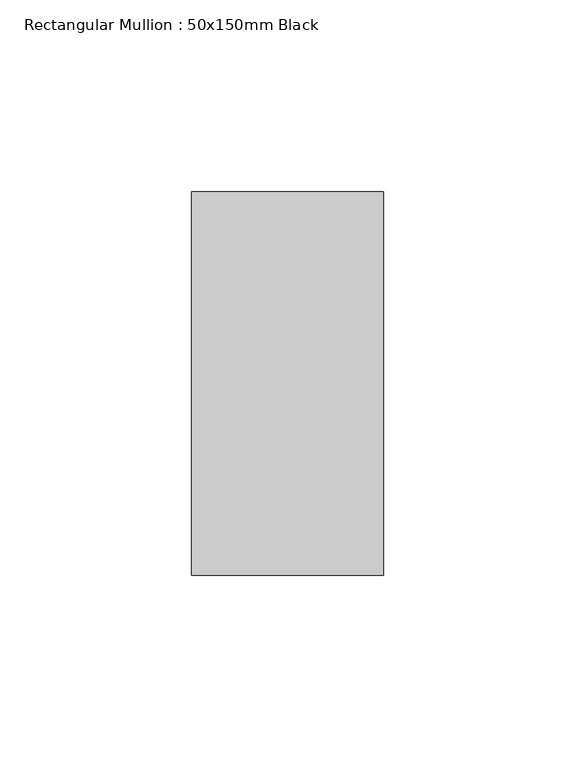
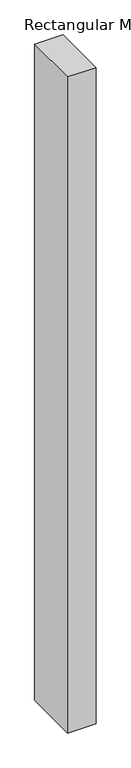
"""IFC4 building model written with IfcOpenShell, lengths in millimetres: member geometry, Rectangular Mullion : 50x150mm Black."""

from ifc_helpers import new_model, si_unit, frame, origin, place, context, project, spatial, polyline, outline, extrude, source, transform, mapped, element, save


def rectangular_mullion_50x150mm_black_e520cf3b(model_context):
    return source(origin(), model_context, "Body", "SweptSolid", [
        extrude(outline(polyline([(25.0, 50.0), (25.0, -50.0), (-25.0, -50.0), (-25.0, 50.0), (25.0, 50.0)])), frame((0.0, 0.0, -1220.0), z_axis=(0.0, 0.0, 1.0), x_axis=(1.0, 0.0, 0.0)), (0.0, 0.0, 1.0), 1220.0),
    ])


if __name__ == "__main__":
    model = new_model("IFC4")
    model_context = context("Model", 3, world=origin())
    ifc_project = project(units=[si_unit("LENGTHUNIT", "METRE", prefix="MILLI")], contexts=[model_context])
    site = spatial("IfcSite", under=ifc_project)
    building = spatial("IfcBuilding", under=site)
    placement = place(None, origin())
    rectangular_mullion_50x150mm_black_shape = rectangular_mullion_50x150mm_black_e520cf3b(model_context)
    element("IfcMember", 1, ObjectType="Rectangular Mullion : 50x150mm Black", at=placement, inside=building, context=model_context, shape_type="MappedRepresentation", body=[
        mapped(rectangular_mullion_50x150mm_black_shape, transform((0.0, 0.0, 0.0), x_axis=(1.0, 0.0, 0.0), y_axis=(0.0, 1.0, 0.0), z_axis=(0.0, 0.0, 1.0))),
    ])
    save(model, "model.ifc")
